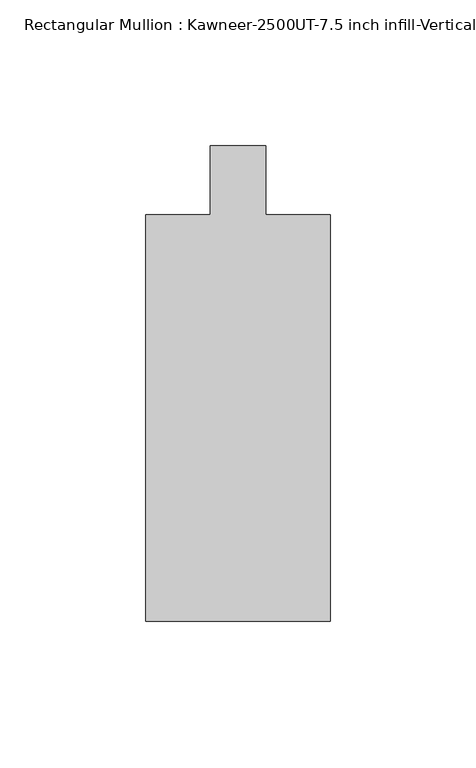
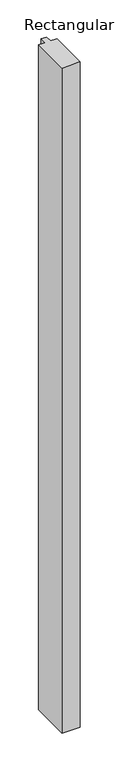
"""IFC4 building model written with IfcOpenShell, lengths in millimetres: member geometry, Rectangular Mullion : Kawneer-2500UT-7.5 inch infill-Vertical 1 inch infill -MODEL."""

import ifcopenshell
import ifcopenshell.guid

model = None  # the IFC model being written
_history = None  # IfcOwnerHistory: only IFC2X3 demands one
_inside = {}  # id of a spatial element -> (the spatial element, [elements in it])
_under = {}  # id of a project, library or spatial element -> (it, [spatial elements below it])
_declared = {}  # id of a project -> (the project, [libraries it declares])
_typed = {}  # id of a type object -> (the type object, [elements of that type])
_made_of = {}  # id of a material, layer set ... -> (it, [elements and type objects made of it])


def new_model(schema):
    """Start an empty IFC model of exactly this schema.

    Asked for "IFC4X3", IfcOpenShell would pick the latest addendum, in which some entities
    have other attributes; the version numbers below select the first issue.
    IFC2X3 requires an IfcOwnerHistory on every rooted entity: one is made here for all.
    """
    global model, _history
    if schema == "IFC4X3":
        model = ifcopenshell.file(schema_version=(4, 3, 0, 0))
    else:
        model = ifcopenshell.file(schema=schema)
    _inside.clear()
    _under.clear()
    _declared.clear()
    _typed.clear()
    _made_of.clear()
    _history = None
    if model.schema == "IFC2X3":
        org = make("IfcOrganization", Name="unknown")
        user = make(
            "IfcPersonAndOrganization",
            ThePerson=make("IfcPerson", FamilyName="unknown"),
            TheOrganization=org,
        )
        app = make(
            "IfcApplication",
            ApplicationDeveloper=org,
            Version="unknown",
            ApplicationFullName="unknown",
            ApplicationIdentifier="unknown",
        )
        _history = make(
            "IfcOwnerHistory",
            OwningUser=user,
            OwningApplication=app,
            ChangeAction="ADDED",
            CreationDate=0,
        )
    return model


def make(cls, **values):
    """One entity of the class cls with the attributes given. An attribute that is None is left unset."""
    return model.create_entity(
        cls, **{name: value for name, value in values.items() if value is not None}
    )


def rooted(cls, **values):
    """An entity with a GlobalId (a new one), such as an element, a storey or a relation."""
    return make(cls, GlobalId=ifcopenshell.guid.new(), OwnerHistory=_history, **values)


def si_unit(unit_type, name, prefix=None):
    """IfcSIUnit, for example si_unit("LENGTHUNIT", "METRE", prefix="MILLI")."""
    return make("IfcSIUnit", UnitType=unit_type, Prefix=prefix, Name=name)


def assignment(units):
    """IfcUnitAssignment: the units of a project."""
    return None if units is None else make("IfcUnitAssignment", Units=units)


def point(xyz):
    """IfcCartesianPoint."""
    return None if xyz is None else make("IfcCartesianPoint", Coordinates=xyz)


def direction(xyz):
    """IfcDirection."""
    return None if xyz is None else make("IfcDirection", DirectionRatios=xyz)


def frame(location, z_axis=None, x_axis=None):
    """IfcAxis2Placement3D, a coordinate frame: its origin and axes. An axis left out is left unset."""
    return make(
        "IfcAxis2Placement3D",
        Location=point(location),
        Axis=direction(z_axis),
        RefDirection=direction(x_axis),
    )


def origin():
    """The frame at (0, 0, 0) with its axes left unset."""
    return frame((0.0, 0.0, 0.0))


def place(relative_to, where):
    """IfcLocalPlacement: puts the frame where relative to a parent placement (None: the world)."""
    return make(
        "IfcLocalPlacement", PlacementRelTo=relative_to, RelativePlacement=where
    )


def context(
    kind, dimensions, precision=None, world=None, true_north=None, identifier=None
):
    """IfcGeometricRepresentationContext, for example the 3D "Model" context."""
    return make(
        "IfcGeometricRepresentationContext",
        ContextIdentifier=identifier,
        ContextType=kind,
        CoordinateSpaceDimension=dimensions,
        Precision=precision,
        WorldCoordinateSystem=world,
        TrueNorth=true_north,
    )


def project(units=None, contexts=None):
    """IfcProject with its units and contexts."""
    return rooted(
        "IfcProject",
        Name="project",
        RepresentationContexts=contexts,
        UnitsInContext=assignment(units),
    )


def spatial(cls, under=None, at=None, **own):
    """A site, building, storey or space (cls), placed at a placement, below another one or the project."""
    s = rooted(cls, ObjectPlacement=at, **own)
    if under is not None:
        _under.setdefault(under.id(), (under, []))[1].append(s)
    return s


def polyline(points):
    """IfcPolyline through the points."""
    return make("IfcPolyline", Points=[point(p) for p in points])


def outline(outer, holes=None, kind="AREA"):
    """IfcArbitraryClosedProfileDef: a profile drawn as a closed curve; with holes, ...WithVoids."""
    if holes is None:
        return make("IfcArbitraryClosedProfileDef", ProfileType=kind, OuterCurve=outer)
    return make(
        "IfcArbitraryProfileDefWithVoids",
        ProfileType=kind,
        OuterCurve=outer,
        InnerCurves=holes,
    )


def extrude(swept, where, along, depth):
    """IfcExtrudedAreaSolid: the profile swept, set in the frame where, extruded along a direction by depth."""
    return make(
        "IfcExtrudedAreaSolid",
        SweptArea=swept,
        Position=where,
        ExtrudedDirection=direction(along),
        Depth=depth,
    )


def shape(context_of_items, identifier, shape_type, items):
    """IfcShapeRepresentation: the items that make up one representation, for example the "Body"."""
    return make(
        "IfcShapeRepresentation",
        ContextOfItems=context_of_items,
        RepresentationIdentifier=identifier,
        RepresentationType=shape_type,
        Items=items,
    )


def source(mapping_origin, context_of_items, identifier, shape_type, items):
    """IfcRepresentationMap: a shape defined once, which mapped items show again and again."""
    return make(
        "IfcRepresentationMap",
        MappingOrigin=mapping_origin,
        MappedRepresentation=shape(context_of_items, identifier, shape_type, items),
    )


def transform(
    local_origin,
    x_axis=None,
    y_axis=None,
    z_axis=None,
    scale=None,
    scale2=None,
    scale3=None,
    uniform=True,
):
    """IfcCartesianTransformationOperator3D, or its non-uniform kind. x_axis, y_axis, z_axis: its Axis1, 2, 3."""
    if uniform:
        return make(
            "IfcCartesianTransformationOperator3D",
            Axis1=direction(x_axis),
            Axis2=direction(y_axis),
            LocalOrigin=point(local_origin),
            Scale=scale,
            Axis3=direction(z_axis),
        )
    return make(
        "IfcCartesianTransformationOperator3DnonUniform",
        Axis1=direction(x_axis),
        Axis2=direction(y_axis),
        LocalOrigin=point(local_origin),
        Scale=scale,
        Axis3=direction(z_axis),
        Scale2=scale2,
        Scale3=scale3,
    )


def mapped(mapping_source, mapping_target):
    """IfcMappedItem: shows the shape of a source again, moved by a transform."""
    return make(
        "IfcMappedItem", MappingSource=mapping_source, MappingTarget=mapping_target
    )


def made_of(thing, what):
    """Note that an element or type object is made of a material, layer set ...; save() writes the relation."""
    if what is not None:
        _made_of.setdefault(what.id(), (what, []))[1].append(thing)
    return thing


def element(
    cls,
    number,
    at=None,
    inside=None,
    cuts=None,
    type_object=None,
    material=None,
    context=None,
    identifier="Body",
    shape_type=None,
    held_by="IfcProductDefinitionShape",
    body=None,
    shapes=None,
    **own,
):
    """One element of the class cls, such as IfcWall. Its Tag is "e" and its number.

    at: its placement. inside: the storey or other place that contains it. cuts: it is an
    opening in that element (IfcRelVoidsElement). A single representation is given by context,
    identifier, shape_type and body (its items); several are given by shapes. held_by: the class
    of the entity that holds the representations. save() writes the other relations.
    """
    e = rooted(cls, Tag="e%d" % number, ObjectPlacement=at, **own)
    if body is not None:
        shapes = [shape(context, identifier, shape_type, body)]
    if shapes is not None:
        e.Representation = make(held_by, Representations=shapes)
    if inside is not None:
        _inside.setdefault(inside.id(), (inside, []))[1].append(e)
    if cuts is not None:
        rooted(
            "IfcRelVoidsElement", RelatingBuildingElement=cuts, RelatedOpeningElement=e
        )
    if type_object is not None:
        _typed.setdefault(type_object.id(), (type_object, []))[1].append(e)
    return made_of(e, material)


def aggregate(whole, parts):
    """IfcRelAggregates: a whole, such as a stair, and the parts it consists of."""
    return rooted("IfcRelAggregates", RelatingObject=whole, RelatedObjects=parts)


def save(model, path):
    """Write the relations noted so far, then the file.

    IfcRelAggregates (storeys below a building ...), IfcRelContainedInSpatialStructure (elements
    in a storey), IfcRelDefinesByType, IfcRelAssociatesMaterial and IfcRelDeclares: one each for
    every whole, place, type object, material and project.
    """
    for whole, parts in _under.values():
        aggregate(whole, parts)
    for where, things in _inside.values():
        rooted(
            "IfcRelContainedInSpatialStructure",
            RelatedElements=things,
            RelatingStructure=where,
        )
    for kind, things in _typed.values():
        rooted("IfcRelDefinesByType", RelatedObjects=things, RelatingType=kind)
    for what, things in _made_of.values():
        rooted("IfcRelAssociatesMaterial", RelatedObjects=things, RelatingMaterial=what)
    for by, libraries in _declared.values():
        rooted("IfcRelDeclares", RelatingContext=by, RelatedDefinitions=libraries)
    model.write(path)


def rectangular_mullion_kawneer_2500ut_7_5_inch_infill_vertical_cb092a7c(model_context):
    return source(origin(), model_context, "Body", "SweptSolid", [
        extrude(outline(polyline([(31.750003, -152.399995), (-31.7499909, -152.399995), (-31.7499909, -12.7), (-9.5251102, -12.7), (-9.5251102, 11.0754743), (9.5251162, 11.0754743), (9.5251162, -12.699995), (31.750003, -12.699995), (31.750003, -152.399995)])), frame((0.0, 0.0, -2438.4), z_axis=(0.0, 0.0, 1.0), x_axis=(1.0, 0.0, 0.0)), (0.0, 0.0, 1.0), 2438.4),
    ])


if __name__ == "__main__":
    model = new_model("IFC4")
    model_context = context("Model", 3, world=origin())
    ifc_project = project(units=[si_unit("LENGTHUNIT", "METRE", prefix="MILLI")], contexts=[model_context])
    site = spatial("IfcSite", under=ifc_project)
    building = spatial("IfcBuilding", under=site)
    placement = place(None, origin())
    rectangular_mullion_kawneer_2500ut_7_5_inch_infill_vertical_shape = rectangular_mullion_kawneer_2500ut_7_5_inch_infill_vertical_cb092a7c(model_context)
    element("IfcMember", 1, ObjectType="Rectangular Mullion : Kawneer-2500UT-7.5 inch infill-Vertical 1 inch infill -MODEL", at=placement, inside=building, context=model_context, shape_type="MappedRepresentation", body=[
        mapped(rectangular_mullion_kawneer_2500ut_7_5_inch_infill_vertical_shape, transform((0.0, 0.0, 0.0), x_axis=(1.0, 0.0, 0.0), y_axis=(0.0, 1.0, 0.0), z_axis=(0.0, 0.0, 1.0))),
    ])
    save(model, "model.ifc")
